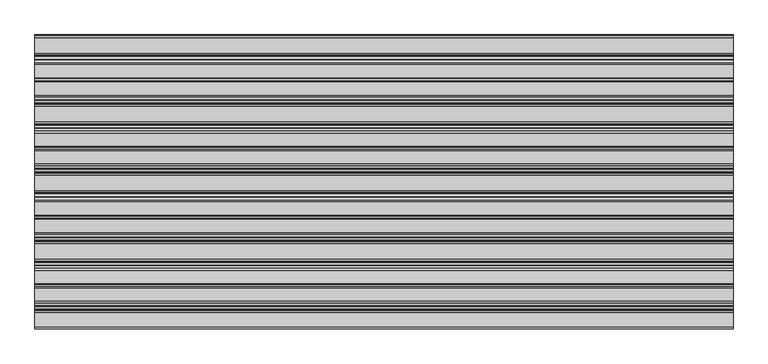
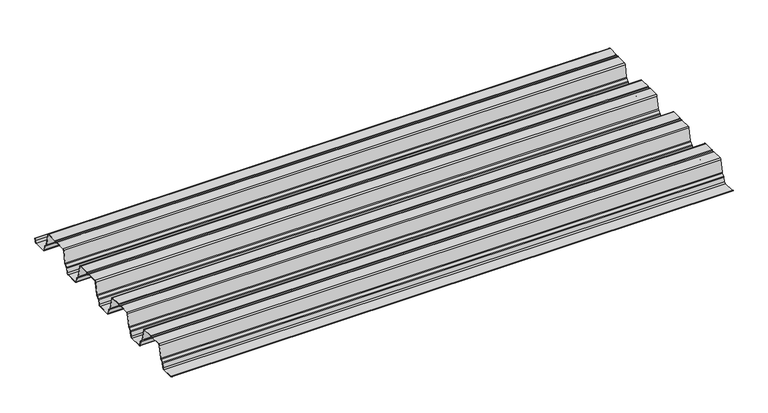
"""IFC4 building model written with IfcOpenShell, lengths in millimetres: proxy geometry."""

from ifc_helpers import new_model, si_unit, point, frame, frame_2d, origin, place, context, project, spatial, polyline, circle_curve, trimmed, segment, composite_curve, outline, extrude, source, transform, mapped, element, save


def generic_models_28448236(model_context):
    return source(origin(), model_context, "Body", "SweptSolid", [
        extrude(outline(composite_curve([segment(polyline([(799.2348674, 5.0285637), (800.8132802, 13.0543919), (801.6286046, 13.0543919), (800.0198311, 4.8741875)]), True, "CONTINUOUS"), segment(trimmed(circle_curve(frame_2d((794.0936862, 6.0396627)), 6.0396627), [point((800.0198311, 4.8741875))], [point((794.0936862, 0.0))], False, "CARTESIAN"), True, "CONTINUOUS"), segment(polyline([(794.0936862, 0.0), (752.4008295, 0.0)]), True, "CONTINUOUS"), segment(trimmed(circle_curve(frame_2d((752.4008295, 6.0396627)), 6.0396627), [point((752.4008295, 0.0))], [point((746.4746846, 4.8741875))], False, "CARTESIAN"), True, "CONTINUOUS"), segment(polyline([(746.4746846, 4.8741875), (743.6634701, 19.1684986)]), True, "CONTINUOUS"), segment(trimmed(circle_curve(frame_2d((739.7968889, 18.408071)), 3.9406472), [point((743.6634701, 19.1684986))], [point((742.4263735, 21.3431197))], True, "CARTESIAN"), True, "CONTINUOUS"), segment(polyline([(742.4263735, 21.3431197), (735.2229221, 27.7966289)]), True, "CONTINUOUS"), segment(trimmed(circle_curve(frame_2d((739.2530214, 32.2950536)), 6.0396627), [point((735.2229221, 27.7966289))], [point((733.3268765, 31.1295784))], False, "CARTESIAN"), True, "CONTINUOUS"), segment(polyline([(733.3268765, 31.1295784), (725.3535131, 71.6721045)]), True, "CONTINUOUS"), segment(trimmed(circle_curve(frame_2d((721.4869319, 70.9116768)), 3.9406472), [point((725.3535131, 71.6721045))], [point((721.4869319, 74.852324))], True, "CARTESIAN"), True, "CONTINUOUS"), segment(polyline([(721.4869319, 74.852324), (685.2744738, 74.852324)]), True, "CONTINUOUS"), segment(trimmed(circle_curve(frame_2d((685.0463147, 73.5421606)), 1.3298815), [point((685.2744738, 74.852324))], [point((683.8090461, 74.0297578))], True, "CARTESIAN"), True, "CONTINUOUS"), segment(trimmed(circle_curve(frame_2d((679.6818528, 75.6562499)), 4.4361245), [point((683.8090461, 74.0297578))], [point((675.6988874, 73.7029995))], False, "CARTESIAN"), True, "CONTINUOUS"), segment(trimmed(circle_curve(frame_2d((673.8551694, 72.7988383)), 2.0534857), [point((675.6988874, 73.7029995))], [point((673.8551694, 74.852324))], True, "CARTESIAN"), True, "CONTINUOUS"), segment(polyline([(673.8551694, 74.852324), (637.8767738, 74.852324)]), True, "CONTINUOUS"), segment(trimmed(circle_curve(frame_2d((637.8767738, 70.9116768)), 3.9406472), [point((637.8767738, 74.852324))], [point((634.0101926, 71.6721045))], True, "CARTESIAN"), True, "CONTINUOUS"), segment(polyline([(634.0101926, 71.6721045), (626.0368291, 31.1295784)]), True, "CONTINUOUS"), segment(trimmed(circle_curve(frame_2d((620.1106843, 32.2950536)), 6.0396627), [point((626.0368291, 31.1295784))], [point((624.1407836, 27.7966289))], False, "CARTESIAN"), True, "CONTINUOUS"), segment(polyline([(624.1407836, 27.7966289), (616.9373322, 21.3431197)]), True, "CONTINUOUS"), segment(trimmed(circle_curve(frame_2d((619.5668167, 18.408071)), 3.9406472), [point((616.9373322, 21.3431197))], [point((615.7002355, 19.1684986))], True, "CARTESIAN"), True, "CONTINUOUS"), segment(polyline([(615.7002355, 19.1684986), (612.889021, 4.8741875)]), True, "CONTINUOUS"), segment(trimmed(circle_curve(frame_2d((606.9628762, 6.0396627)), 6.0396627), [point((612.889021, 4.8741875))], [point((606.9628762, 0.0))], False, "CARTESIAN"), True, "CONTINUOUS"), segment(polyline([(606.9628762, 0.0), (565.2700195, 0.0)]), True, "CONTINUOUS"), segment(trimmed(circle_curve(frame_2d((565.2700195, 6.0396627)), 6.0396627), [point((565.2700195, 0.0))], [point((559.3438746, 4.8741875))], False, "CARTESIAN"), True, "CONTINUOUS"), segment(polyline([(559.3438746, 4.8741875), (556.5326601, 19.1684986)]), True, "CONTINUOUS"), segment(trimmed(circle_curve(frame_2d((552.6660789, 18.408071)), 3.9406472), [point((556.5326601, 19.1684986))], [point((555.2955635, 21.3431197))], True, "CARTESIAN"), True, "CONTINUOUS"), segment(polyline([(555.2955635, 21.3431197), (548.092112, 27.7966289)]), True, "CONTINUOUS"), segment(trimmed(circle_curve(frame_2d((552.1222114, 32.2950536)), 6.0396627), [point((548.092112, 27.7966289))], [point((546.1960665, 31.1295784))], False, "CARTESIAN"), True, "CONTINUOUS"), segment(polyline([(546.1960665, 31.1295784), (538.2227031, 71.6721045)]), True, "CONTINUOUS"), segment(trimmed(circle_curve(frame_2d((534.3561219, 70.9116768)), 3.9406472), [point((538.2227031, 71.6721045))], [point((534.3561219, 74.852324))], True, "CARTESIAN"), True, "CONTINUOUS"), segment(polyline([(534.3561219, 74.852324), (498.1436637, 74.852324)]), True, "CONTINUOUS"), segment(trimmed(circle_curve(frame_2d((497.9155047, 73.5421606)), 1.3298815), [point((498.1436637, 74.852324))], [point((496.678236, 74.0297578))], True, "CARTESIAN"), True, "CONTINUOUS"), segment(trimmed(circle_curve(frame_2d((492.5510428, 75.6562499)), 4.4361245), [point((496.678236, 74.0297578))], [point((488.5680774, 73.7029995))], False, "CARTESIAN"), True, "CONTINUOUS"), segment(trimmed(circle_curve(frame_2d((486.7243594, 72.7988383)), 2.0534857), [point((488.5680774, 73.7029995))], [point((486.7243594, 74.852324))], True, "CARTESIAN"), True, "CONTINUOUS"), segment(polyline([(486.7243594, 74.852324), (450.7459637, 74.852324)]), True, "CONTINUOUS"), segment(trimmed(circle_curve(frame_2d((450.7459637, 70.9116768)), 3.9406472), [point((450.7459637, 74.852324))], [point((446.8793826, 71.6721045))], True, "CARTESIAN"), True, "CONTINUOUS"), segment(polyline([(446.8793826, 71.6721045), (438.9060191, 31.1295784)]), True, "CONTINUOUS"), segment(trimmed(circle_curve(frame_2d((432.9798742, 32.2950536)), 6.0396627), [point((438.9060191, 31.1295784))], [point((437.0099736, 27.7966289))], False, "CARTESIAN"), True, "CONTINUOUS"), segment(polyline([(437.0099736, 27.7966289), (429.8065222, 21.3431197)]), True, "CONTINUOUS"), segment(trimmed(circle_curve(frame_2d((432.4360067, 18.408071)), 3.9406472), [point((429.8065222, 21.3431197))], [point((428.5694255, 19.1684986))], True, "CARTESIAN"), True, "CONTINUOUS"), segment(polyline([(428.5694255, 19.1684986), (425.758211, 4.8741875)]), True, "CONTINUOUS"), segment(trimmed(circle_curve(frame_2d((419.8320661, 6.0396627)), 6.0396627), [point((425.758211, 4.8741875))], [point((419.8320661, 0.0))], False, "CARTESIAN"), True, "CONTINUOUS"), segment(polyline([(419.8320661, 0.0), (378.1392095, 0.0)]), True, "CONTINUOUS"), segment(trimmed(circle_curve(frame_2d((378.1392095, 6.0396627)), 6.0396627), [point((378.1392095, 0.0))], [point((372.2130646, 4.8741875))], False, "CARTESIAN"), True, "CONTINUOUS"), segment(polyline([(372.2130646, 4.8741875), (369.4018501, 19.1684986)]), True, "CONTINUOUS"), segment(trimmed(circle_curve(frame_2d((365.5352689, 18.408071)), 3.9406472), [point((369.4018501, 19.1684986))], [point((368.1647534, 21.3431197))], True, "CARTESIAN"), True, "CONTINUOUS"), segment(polyline([(368.1647534, 21.3431197), (360.961302, 27.7966289)]), True, "CONTINUOUS"), segment(trimmed(circle_curve(frame_2d((364.9914013, 32.2950536)), 6.0396627), [point((360.961302, 27.7966289))], [point((359.0652565, 31.1295784))], False, "CARTESIAN"), True, "CONTINUOUS"), segment(polyline([(359.0652565, 31.1295784), (351.091893, 71.6721045)]), True, "CONTINUOUS"), segment(trimmed(circle_curve(frame_2d((347.2253118, 70.9116768)), 3.9406472), [point((351.091893, 71.6721045))], [point((347.2253118, 74.852324))], True, "CARTESIAN"), True, "CONTINUOUS"), segment(polyline([(347.2253118, 74.852324), (311.0128537, 74.852324)]), True, "CONTINUOUS"), segment(trimmed(circle_curve(frame_2d((310.7846947, 73.5421606)), 1.3298815), [point((311.0128537, 74.852324))], [point((309.547426, 74.0297578))], True, "CARTESIAN"), True, "CONTINUOUS"), segment(trimmed(circle_curve(frame_2d((305.4202328, 75.6562499)), 4.4361245), [point((309.547426, 74.0297578))], [point((301.4372673, 73.7029995))], False, "CARTESIAN"), True, "CONTINUOUS"), segment(trimmed(circle_curve(frame_2d((299.5935494, 72.7988383)), 2.0534857), [point((301.4372673, 73.7029995))], [point((299.5935494, 74.852324))], True, "CARTESIAN"), True, "CONTINUOUS"), segment(polyline([(299.5935494, 74.852324), (263.6151537, 74.852324)]), True, "CONTINUOUS"), segment(trimmed(circle_curve(frame_2d((263.6151537, 70.9116768)), 3.9406472), [point((263.6151537, 74.852324))], [point((259.7485725, 71.6721045))], True, "CARTESIAN"), True, "CONTINUOUS"), segment(polyline([(259.7485725, 71.6721045), (251.7752091, 31.1295784)]), True, "CONTINUOUS"), segment(trimmed(circle_curve(frame_2d((245.8490642, 32.2950536)), 6.0396627), [point((251.7752091, 31.1295784))], [point((249.8791636, 27.7966289))], False, "CARTESIAN"), True, "CONTINUOUS"), segment(polyline([(249.8791636, 27.7966289), (242.6757121, 21.3431197)]), True, "CONTINUOUS"), segment(trimmed(circle_curve(frame_2d((245.3051967, 18.408071)), 3.9406472), [point((242.6757121, 21.3431197))], [point((241.4386155, 19.1684986))], True, "CARTESIAN"), True, "CONTINUOUS"), segment(polyline([(241.4386155, 19.1684986), (238.627401, 4.8741875)]), True, "CONTINUOUS"), segment(trimmed(circle_curve(frame_2d((232.7012561, 6.0396627)), 6.0396627), [point((238.627401, 4.8741875))], [point((232.7012561, 0.0))], False, "CARTESIAN"), True, "CONTINUOUS"), segment(polyline([(232.7012561, 0.0), (191.0083994, 0.0)]), True, "CONTINUOUS"), segment(trimmed(circle_curve(frame_2d((191.0083994, 6.0396627)), 6.0396627), [point((191.0083994, 0.0))], [point((185.0822546, 4.8741875))], False, "CARTESIAN"), True, "CONTINUOUS"), segment(polyline([(185.0822546, 4.8741875), (182.27104, 19.1684986)]), True, "CONTINUOUS"), segment(trimmed(circle_curve(frame_2d((178.4044589, 18.408071)), 3.9406472), [point((182.27104, 19.1684986))], [point((181.0339434, 21.3431197))], True, "CARTESIAN"), True, "CONTINUOUS"), segment(polyline([(181.0339434, 21.3431197), (173.830492, 27.7966289)]), True, "CONTINUOUS"), segment(trimmed(circle_curve(frame_2d((177.8605913, 32.2950536)), 6.0396627), [point((173.830492, 27.7966289))], [point((171.9344465, 31.1295784))], False, "CARTESIAN"), True, "CONTINUOUS"), segment(polyline([(171.9344465, 31.1295784), (163.961083, 71.6721045)]), True, "CONTINUOUS"), segment(trimmed(circle_curve(frame_2d((160.0945018, 70.9116768)), 3.9406472), [point((163.961083, 71.6721045))], [point((160.0945018, 74.852324))], True, "CARTESIAN"), True, "CONTINUOUS"), segment(polyline([(160.0945018, 74.852324), (123.8820437, 74.852324)]), True, "CONTINUOUS"), segment(trimmed(circle_curve(frame_2d((123.6538846, 73.5421606)), 1.3298815), [point((123.8820437, 74.852324))], [point((122.416616, 74.0297578))], True, "CARTESIAN"), True, "CONTINUOUS"), segment(trimmed(circle_curve(frame_2d((118.2894228, 75.6562499)), 4.4361245), [point((122.416616, 74.0297578))], [point((114.3064573, 73.7029995))], False, "CARTESIAN"), True, "CONTINUOUS"), segment(trimmed(circle_curve(frame_2d((112.4627393, 72.7988383)), 2.0534857), [point((114.3064573, 73.7029995))], [point((112.4627393, 74.852324))], True, "CARTESIAN"), True, "CONTINUOUS"), segment(polyline([(112.4627393, 74.852324), (76.4843437, 74.852324)]), True, "CONTINUOUS"), segment(trimmed(circle_curve(frame_2d((76.4843437, 70.9116768)), 3.9406472), [point((76.4843437, 74.852324))], [point((72.6177625, 71.6721045))], True, "CARTESIAN"), True, "CONTINUOUS"), segment(polyline([(72.6177625, 71.6721045), (64.6443991, 31.1295784)]), True, "CONTINUOUS"), segment(trimmed(circle_curve(frame_2d((58.7182542, 32.2950536)), 6.0396627), [point((64.6443991, 31.1295784))], [point((62.7483535, 27.7966289))], False, "CARTESIAN"), True, "CONTINUOUS"), segment(polyline([(62.7483535, 27.7966289), (55.5449021, 21.3431197)]), True, "CONTINUOUS"), segment(trimmed(circle_curve(frame_2d((58.1743866, 18.408071)), 3.9406472), [point((55.5449021, 21.3431197))], [point((54.3064611, 19.1616306))], True, "CARTESIAN"), True, "CONTINUOUS"), segment(polyline([(54.3064611, 19.1616306), (51.4950825, 5.8645745)]), True, "CONTINUOUS"), segment(trimmed(circle_curve(frame_2d((45.5704461, 7.0376937)), 6.0396627), [point((51.4950825, 5.8645745))], [point((45.5704461, 0.998031))], False, "CARTESIAN"), True, "CONTINUOUS"), segment(polyline([(45.5704461, 0.998031), (5.8736514, 0.998031)]), True, "CONTINUOUS"), segment(trimmed(circle_curve(frame_2d((5.8736514, 7.0376937)), 6.0396627), [point((5.8736514, 0.998031))], [point((0.0, 5.6313705))], False, "CARTESIAN"), True, "CONTINUOUS"), segment(polyline([(0.0, 5.6313705), (0.7780105, 5.8176489)]), True, "CONTINUOUS"), segment(trimmed(circle_curve(frame_2d((5.8736514, 7.0376937)), 5.2396627), [point((0.7780105, 5.8176489))], [point((5.8736514, 1.798031))], True, "CARTESIAN"), True, "CONTINUOUS"), segment(polyline([(5.8736514, 1.798031), (45.5704461, 1.798031)]), True, "CONTINUOUS"), segment(trimmed(circle_curve(frame_2d((45.5704461, 7.0376937)), 5.2396627), [point((45.5704461, 1.798031))], [point((50.7112816, 6.0248388))], True, "CARTESIAN"), True, "CONTINUOUS"), segment(polyline([(50.7112816, 6.0248388), (53.5225053, 19.3211622)]), True, "CONTINUOUS"), segment(trimmed(circle_curve(frame_2d((58.1743866, 18.408071)), 4.7406472), [point((53.5225053, 19.3211622))], [point((55.0110843, 21.9389709))], False, "CARTESIAN"), True, "CONTINUOUS"), segment(polyline([(55.0110843, 21.9389709), (62.2145357, 28.39248)]), True, "CONTINUOUS"), segment(trimmed(circle_curve(frame_2d((58.7182542, 32.2950536)), 5.2396627), [point((62.2145357, 28.39248))], [point((63.8594354, 31.2839546))], True, "CARTESIAN"), True, "CONTINUOUS"), segment(polyline([(63.8594354, 31.2839546), (71.8327988, 71.8264806)]), True, "CONTINUOUS"), segment(trimmed(circle_curve(frame_2d((76.4843437, 70.9116768)), 4.7406472), [point((71.8327988, 71.8264806))], [point((76.4843437, 75.652324))], False, "CARTESIAN"), True, "CONTINUOUS"), segment(polyline([(76.4843437, 75.652324), (112.4627393, 75.652324)]), True, "CONTINUOUS"), segment(trimmed(circle_curve(frame_2d((112.4627393, 72.7988383)), 2.8534857), [point((112.4627393, 75.652324))], [point((115.0247357, 74.055244))], False, "CARTESIAN"), True, "CONTINUOUS"), segment(trimmed(circle_curve(frame_2d((118.2894228, 75.6562499)), 3.6361245), [point((115.0247357, 74.055244))], [point((121.6723279, 74.3230754))], True, "CARTESIAN"), True, "CONTINUOUS"), segment(trimmed(circle_curve(frame_2d((123.6538846, 73.5421606)), 2.1298815), [point((121.6723279, 74.3230754))], [point((123.9430307, 75.652324))], False, "CARTESIAN"), True, "CONTINUOUS"), segment(polyline([(123.9430307, 75.652324), (160.0945018, 75.652324)]), True, "CONTINUOUS"), segment(trimmed(circle_curve(frame_2d((160.0945018, 70.9116768)), 4.7406472), [point((160.0945018, 75.652324))], [point((164.7460467, 71.8264806))], False, "CARTESIAN"), True, "CONTINUOUS"), segment(polyline([(164.7460467, 71.8264806), (172.7194101, 31.2839546)]), True, "CONTINUOUS"), segment(trimmed(circle_curve(frame_2d((177.8605913, 32.2950536)), 5.2396627), [point((172.7194101, 31.2839546))], [point((174.3643098, 28.39248))], True, "CARTESIAN"), True, "CONTINUOUS"), segment(polyline([(174.3643098, 28.39248), (181.5677612, 21.9389709)]), True, "CONTINUOUS"), segment(trimmed(circle_curve(frame_2d((178.4044589, 18.408071)), 4.7406472), [point((181.5677612, 21.9389709))], [point((183.0560037, 19.3228748))], False, "CARTESIAN"), True, "CONTINUOUS"), segment(polyline([(183.0560037, 19.3228748), (185.8672182, 5.0285637)]), True, "CONTINUOUS"), segment(trimmed(circle_curve(frame_2d((191.0083994, 6.0396627)), 5.2396627), [point((185.8672182, 5.0285637))], [point((191.0083994, 0.8))], True, "CARTESIAN"), True, "CONTINUOUS"), segment(polyline([(191.0083994, 0.8), (232.7012561, 0.8)]), True, "CONTINUOUS"), segment(trimmed(circle_curve(frame_2d((232.7012561, 6.0396627)), 5.2396627), [point((232.7012561, 0.8))], [point((237.8424373, 5.0285637))], True, "CARTESIAN"), True, "CONTINUOUS"), segment(polyline([(237.8424373, 5.0285637), (240.6536518, 19.3228748)]), True, "CONTINUOUS"), segment(trimmed(circle_curve(frame_2d((245.3051967, 18.408071)), 4.7406472), [point((240.6536518, 19.3228748))], [point((242.1418943, 21.9389709))], False, "CARTESIAN"), True, "CONTINUOUS"), segment(polyline([(242.1418943, 21.9389709), (249.3453457, 28.39248)]), True, "CONTINUOUS"), segment(trimmed(circle_curve(frame_2d((245.8490642, 32.2950536)), 5.2396627), [point((249.3453457, 28.39248))], [point((250.9902454, 31.2839546))], True, "CARTESIAN"), True, "CONTINUOUS"), segment(polyline([(250.9902454, 31.2839546), (258.9636088, 71.8264806)]), True, "CONTINUOUS"), segment(trimmed(circle_curve(frame_2d((263.6151537, 70.9116768)), 4.7406472), [point((258.9636088, 71.8264806))], [point((263.6151537, 75.652324))], False, "CARTESIAN"), True, "CONTINUOUS"), segment(polyline([(263.6151537, 75.652324), (299.5935494, 75.652324)]), True, "CONTINUOUS"), segment(trimmed(circle_curve(frame_2d((299.5935494, 72.7988383)), 2.8534857), [point((299.5935494, 75.652324))], [point((302.1555457, 74.055244))], False, "CARTESIAN"), True, "CONTINUOUS"), segment(trimmed(circle_curve(frame_2d((305.4202328, 75.6562499)), 3.6361245), [point((302.1555457, 74.055244))], [point((308.8031379, 74.3230754))], True, "CARTESIAN"), True, "CONTINUOUS"), segment(trimmed(circle_curve(frame_2d((310.7846947, 73.5421606)), 2.1298815), [point((308.8031379, 74.3230754))], [point((311.0738407, 75.652324))], False, "CARTESIAN"), True, "CONTINUOUS"), segment(polyline([(311.0738407, 75.652324), (347.2253118, 75.652324)]), True, "CONTINUOUS"), segment(trimmed(circle_curve(frame_2d((347.2253118, 70.9116768)), 4.7406472), [point((347.2253118, 75.652324))], [point((351.8768567, 71.8264806))], False, "CARTESIAN"), True, "CONTINUOUS"), segment(polyline([(351.8768567, 71.8264806), (359.8502202, 31.2839546)]), True, "CONTINUOUS"), segment(trimmed(circle_curve(frame_2d((364.9914013, 32.2950536)), 5.2396627), [point((359.8502202, 31.2839546))], [point((361.4951198, 28.39248))], True, "CARTESIAN"), True, "CONTINUOUS"), segment(polyline([(361.4951198, 28.39248), (368.6985712, 21.9389709)]), True, "CONTINUOUS"), segment(trimmed(circle_curve(frame_2d((365.5352689, 18.408071)), 4.7406472), [point((368.6985712, 21.9389709))], [point((370.1868138, 19.3228748))], False, "CARTESIAN"), True, "CONTINUOUS"), segment(polyline([(370.1868138, 19.3228748), (372.9980283, 5.0285637)]), True, "CONTINUOUS"), segment(trimmed(circle_curve(frame_2d((378.1392095, 6.0396627)), 5.2396627), [point((372.9980283, 5.0285637))], [point((378.1392095, 0.8))], True, "CARTESIAN"), True, "CONTINUOUS"), segment(polyline([(378.1392095, 0.8), (419.8320661, 0.8)]), True, "CONTINUOUS"), segment(trimmed(circle_curve(frame_2d((419.8320661, 6.0396627)), 5.2396627), [point((419.8320661, 0.8))], [point((424.9732473, 5.0285637))], True, "CARTESIAN"), True, "CONTINUOUS"), segment(polyline([(424.9732473, 5.0285637), (427.7844618, 19.3228748)]), True, "CONTINUOUS"), segment(trimmed(circle_curve(frame_2d((432.4360067, 18.408071)), 4.7406472), [point((427.7844618, 19.3228748))], [point((429.2727044, 21.9389709))], False, "CARTESIAN"), True, "CONTINUOUS"), segment(polyline([(429.2727044, 21.9389709), (436.4761558, 28.39248)]), True, "CONTINUOUS"), segment(trimmed(circle_curve(frame_2d((432.9798742, 32.2950536)), 5.2396627), [point((436.4761558, 28.39248))], [point((438.1210554, 31.2839546))], True, "CARTESIAN"), True, "CONTINUOUS"), segment(polyline([(438.1210554, 31.2839546), (446.0944189, 71.8264806)]), True, "CONTINUOUS"), segment(trimmed(circle_curve(frame_2d((450.7459637, 70.9116768)), 4.7406472), [point((446.0944189, 71.8264806))], [point((450.7459637, 75.652324))], False, "CARTESIAN"), True, "CONTINUOUS"), segment(polyline([(450.7459637, 75.652324), (486.7243594, 75.652324)]), True, "CONTINUOUS"), segment(trimmed(circle_curve(frame_2d((486.7243594, 72.7988383)), 2.8534857), [point((486.7243594, 75.652324))], [point((489.2863558, 74.055244))], False, "CARTESIAN"), True, "CONTINUOUS"), segment(trimmed(circle_curve(frame_2d((492.5510428, 75.6562499)), 3.6361245), [point((489.2863558, 74.055244))], [point((495.933948, 74.3230754))], True, "CARTESIAN"), True, "CONTINUOUS"), segment(trimmed(circle_curve(frame_2d((497.9155047, 73.5421606)), 2.1298815), [point((495.933948, 74.3230754))], [point((498.2046507, 75.652324))], False, "CARTESIAN"), True, "CONTINUOUS"), segment(polyline([(498.2046507, 75.652324), (534.3561219, 75.652324)]), True, "CONTINUOUS"), segment(trimmed(circle_curve(frame_2d((534.3561219, 70.9116768)), 4.7406472), [point((534.3561219, 75.652324))], [point((539.0076667, 71.8264806))], False, "CARTESIAN"), True, "CONTINUOUS"), segment(polyline([(539.0076667, 71.8264806), (546.9810302, 31.2839546)]), True, "CONTINUOUS"), segment(trimmed(circle_curve(frame_2d((552.1222114, 32.2950536)), 5.2396627), [point((546.9810302, 31.2839546))], [point((548.6259298, 28.39248))], True, "CARTESIAN"), True, "CONTINUOUS"), segment(polyline([(548.6259298, 28.39248), (555.8293813, 21.9389709)]), True, "CONTINUOUS"), segment(trimmed(circle_curve(frame_2d((552.6660789, 18.408071)), 4.7406472), [point((555.8293813, 21.9389709))], [point((557.3176238, 19.3228748))], False, "CARTESIAN"), True, "CONTINUOUS"), segment(polyline([(557.3176238, 19.3228748), (560.1288383, 5.0285637)]), True, "CONTINUOUS"), segment(trimmed(circle_curve(frame_2d((565.2700195, 6.0396627)), 5.2396627), [point((560.1288383, 5.0285637))], [point((565.2700195, 0.8))], True, "CARTESIAN"), True, "CONTINUOUS"), segment(polyline([(565.2700195, 0.8), (606.9628762, 0.8)]), True, "CONTINUOUS"), segment(trimmed(circle_curve(frame_2d((606.9628762, 6.0396627)), 5.2396627), [point((606.9628762, 0.8))], [point((612.1040573, 5.0285637))], True, "CARTESIAN"), True, "CONTINUOUS"), segment(polyline([(612.1040573, 5.0285637), (614.9152718, 19.3228748)]), True, "CONTINUOUS"), segment(trimmed(circle_curve(frame_2d((619.5668167, 18.408071)), 4.7406472), [point((614.9152718, 19.3228748))], [point((616.4035144, 21.9389709))], False, "CARTESIAN"), True, "CONTINUOUS"), segment(polyline([(616.4035144, 21.9389709), (623.6069658, 28.39248)]), True, "CONTINUOUS"), segment(trimmed(circle_curve(frame_2d((620.1106843, 32.2950536)), 5.2396627), [point((623.6069658, 28.39248))], [point((625.2518654, 31.2839546))], True, "CARTESIAN"), True, "CONTINUOUS"), segment(polyline([(625.2518654, 31.2839546), (633.2252289, 71.8264806)]), True, "CONTINUOUS"), segment(trimmed(circle_curve(frame_2d((637.8767738, 70.9116768)), 4.7406472), [point((633.2252289, 71.8264806))], [point((637.8767738, 75.652324))], False, "CARTESIAN"), True, "CONTINUOUS"), segment(polyline([(637.8767738, 75.652324), (673.8551694, 75.652324)]), True, "CONTINUOUS"), segment(trimmed(circle_curve(frame_2d((673.8551694, 72.7988383)), 2.8534857), [point((673.8551694, 75.652324))], [point((676.4171658, 74.055244))], False, "CARTESIAN"), True, "CONTINUOUS"), segment(trimmed(circle_curve(frame_2d((679.6818528, 75.6562499)), 3.6361245), [point((676.4171658, 74.055244))], [point((683.064758, 74.3230754))], True, "CARTESIAN"), True, "CONTINUOUS"), segment(trimmed(circle_curve(frame_2d((685.0463147, 73.5421606)), 2.1298815), [point((683.064758, 74.3230754))], [point((685.3354608, 75.652324))], False, "CARTESIAN"), True, "CONTINUOUS"), segment(polyline([(685.3354608, 75.652324), (721.4869319, 75.652324)]), True, "CONTINUOUS"), segment(trimmed(circle_curve(frame_2d((721.4869319, 70.9116768)), 4.7406472), [point((721.4869319, 75.652324))], [point((726.1384768, 71.8264806))], False, "CARTESIAN"), True, "CONTINUOUS"), segment(polyline([(726.1384768, 71.8264806), (734.1118402, 31.2839546)]), True, "CONTINUOUS"), segment(trimmed(circle_curve(frame_2d((739.2530214, 32.2950536)), 5.2396627), [point((734.1118402, 31.2839546))], [point((735.7567399, 28.39248))], True, "CARTESIAN"), True, "CONTINUOUS"), segment(polyline([(735.7567399, 28.39248), (742.9601913, 21.9389709)]), True, "CONTINUOUS"), segment(trimmed(circle_curve(frame_2d((739.7968889, 18.408071)), 4.7406472), [point((742.9601913, 21.9389709))], [point((744.4484338, 19.3228748))], False, "CARTESIAN"), True, "CONTINUOUS"), segment(polyline([(744.4484338, 19.3228748), (747.2596483, 5.0285637)]), True, "CONTINUOUS"), segment(trimmed(circle_curve(frame_2d((752.4008295, 6.0396627)), 5.2396627), [point((747.2596483, 5.0285637))], [point((752.4008295, 0.8))], True, "CARTESIAN"), True, "CONTINUOUS"), segment(polyline([(752.4008295, 0.8), (794.0936862, 0.8)]), True, "CONTINUOUS"), segment(trimmed(circle_curve(frame_2d((794.0936862, 6.0396627)), 5.2396627), [point((794.0936862, 0.8))], [point((799.2348674, 5.0285637))], True, "CARTESIAN"), True, "CONTINUOUS")], self_intersect=False)), frame((0.0, 0.0, 0.0), z_axis=(1.0, 0.0, 0.0), x_axis=(0.0, 1.0, 0.0)), (0.0, 0.0, 1.0), 1900.0),
    ])


if __name__ == "__main__":
    model = new_model("IFC4")
    model_context = context("Model", 3, world=origin())
    ifc_project = project(units=[si_unit("LENGTHUNIT", "METRE", prefix="MILLI")], contexts=[model_context])
    site = spatial("IfcSite", under=ifc_project)
    building = spatial("IfcBuilding", under=site)
    placement = place(None, origin())
    generic_models_shape = generic_models_28448236(model_context)
    element("IfcBuildingElementProxy", 1, Name="Generic Models", at=placement, inside=building, context=model_context, shape_type="MappedRepresentation", body=[
        mapped(generic_models_shape, transform((0.0, 0.0, 0.0), x_axis=(1.0, 0.0, 0.0), y_axis=(0.0, 1.0, 0.0), z_axis=(0.0, 0.0, 1.0))),
    ])
    save(model, "model.ifc")
